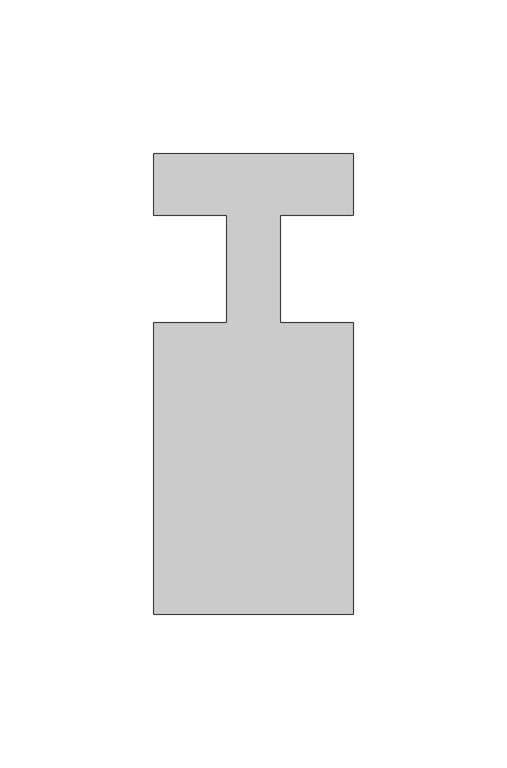
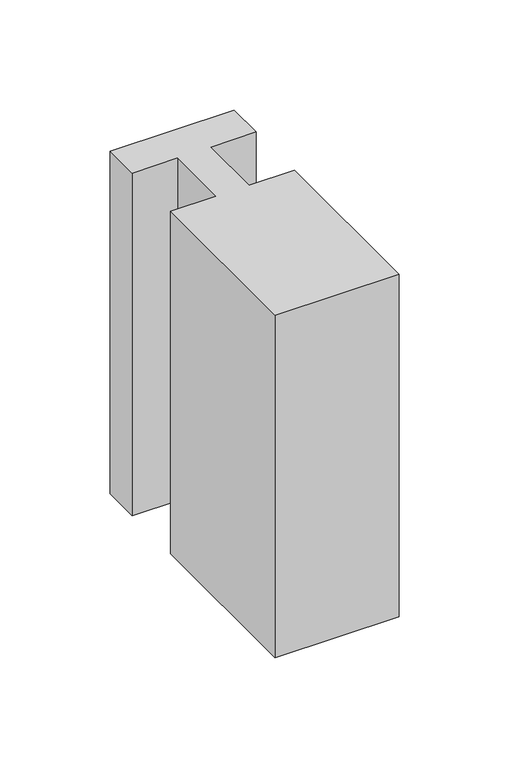
"""IFC4 building model written with IfcOpenShell, lengths in millimetres: member geometry."""

from ifc_helpers import new_model, si_unit, frame, origin, place, context, project, spatial, polyline, outline, extrude, source, transform, mapped, element, save


def member_4f40d870(model_context):
    return source(origin(), model_context, "Body", "SweptSolid", [
        extrude(outline(polyline([(-65.0, 37.0), (0.0, 37.0), (0.0, 17.0), (-23.8125, 17.0), (-23.8125, -18.0), (0.0, -18.0), (0.0, -113.0), (-65.0, -113.0), (-65.0, -18.0), (-41.1875, -18.0), (-41.1875, 17.0), (-65.0, 17.0), (-65.0, 37.0)])), frame((0.0, 0.0, -190.0), z_axis=(0.0, 0.0, 1.0), x_axis=(1.0, 0.0, 0.0)), (0.0, 0.0, 1.0), 190.0),
    ])


if __name__ == "__main__":
    model = new_model("IFC4")
    model_context = context("Model", 3, world=origin())
    ifc_project = project(units=[si_unit("LENGTHUNIT", "METRE", prefix="MILLI")], contexts=[model_context])
    site = spatial("IfcSite", under=ifc_project)
    building = spatial("IfcBuilding", under=site)
    placement = place(None, origin())
    member_shape = member_4f40d870(model_context)
    element("IfcMember", 1, at=placement, inside=building, context=model_context, shape_type="MappedRepresentation", body=[
        mapped(member_shape, transform((0.0, 0.0, 0.0), x_axis=(1.0, 0.0, 0.0), y_axis=(0.0, 1.0, 0.0), z_axis=(0.0, 0.0, 1.0))),
    ])
    save(model, "model.ifc")
